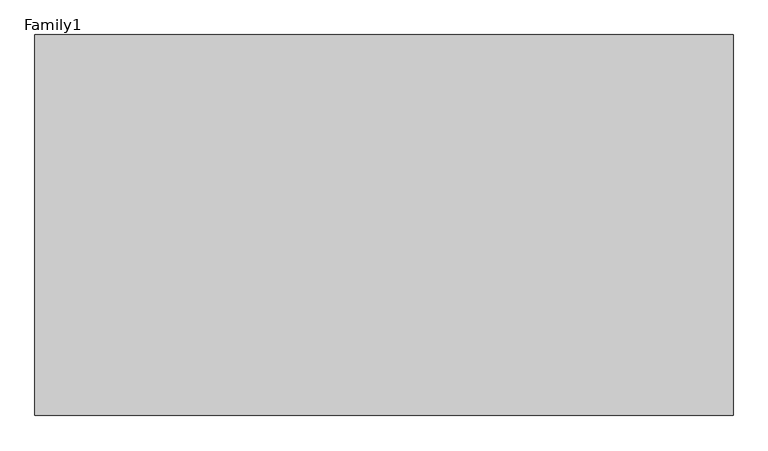
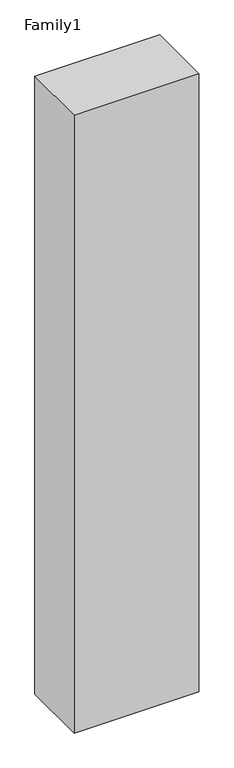
"""IFC4 building model written with IfcOpenShell, lengths in millimetres: proxy geometry, Family1."""

from ifc_helpers import new_model, si_unit, origin, origin_with_axes, place, context, project, spatial, polyline, outline, extrude, source, transform, mapped, element, save


def family1_5bcc99a8(model_context):
    return source(origin(), model_context, "Body", "SweptSolid", [
        extrude(outline(polyline([(5500.0, 0.0), (0.0, 0.0), (0.0, 3000.0), (5500.0, 3000.0), (5500.0, 0.0)])), origin_with_axes(), (0.0, 0.0, 1.0), 28800.0),
    ])


if __name__ == "__main__":
    model = new_model("IFC4")
    model_context = context("Model", 3, world=origin())
    ifc_project = project(units=[si_unit("LENGTHUNIT", "METRE", prefix="MILLI")], contexts=[model_context])
    site = spatial("IfcSite", under=ifc_project)
    building = spatial("IfcBuilding", under=site)
    placement = place(None, origin())
    family1_shape = family1_5bcc99a8(model_context)
    element("IfcBuildingElementProxy", 1, Name="Family1", ObjectType="Family1", at=placement, inside=building, context=model_context, shape_type="MappedRepresentation", body=[
        mapped(family1_shape, transform((0.0, 0.0, 0.0), x_axis=(1.0, 0.0, 0.0), y_axis=(0.0, 1.0, 0.0), z_axis=(0.0, 0.0, 1.0))),
    ])
    save(model, "model.ifc")
